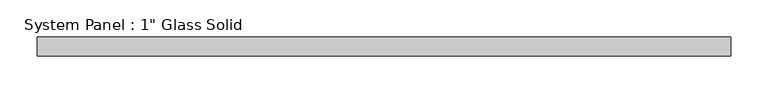
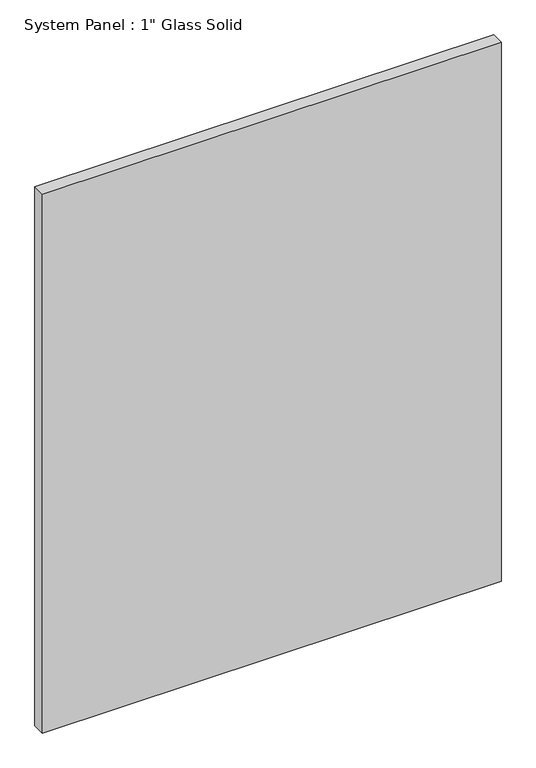
"""IFC4 building model written with IfcOpenShell, lengths in millimetres: plate geometry."""

from ifc_helpers import new_model, si_unit, origin, origin_with_axes, place, context, project, spatial, polyline, outline, extrude, source, transform, mapped, element, save


def plate_dcd1bce8(model_context):
    return source(origin(), model_context, "Body", "SweptSolid", [
        extrude(outline(polyline([(462.75625, -12.7), (-462.75625, -12.7), (-462.75625, 12.7), (462.75625, 12.7), (462.75625, -12.7)])), origin_with_axes(), (0.0, 0.0, 1.0), 1149.3517704),
    ])


if __name__ == "__main__":
    model = new_model("IFC4")
    model_context = context("Model", 3, world=origin())
    ifc_project = project(units=[si_unit("LENGTHUNIT", "METRE", prefix="MILLI")], contexts=[model_context])
    site = spatial("IfcSite", under=ifc_project)
    building = spatial("IfcBuilding", under=site)
    placement = place(None, origin())
    plate_shape = plate_dcd1bce8(model_context)
    element("IfcPlate", 1, ObjectType="System Panel : 1\" Glass Solid", at=placement, inside=building, context=model_context, shape_type="MappedRepresentation", body=[
        mapped(plate_shape, transform((0.0, 0.0, 0.0), x_axis=(1.0, 0.0, 0.0), y_axis=(0.0, 1.0, 0.0), z_axis=(0.0, 0.0, 1.0))),
    ])
    save(model, "model.ifc")
